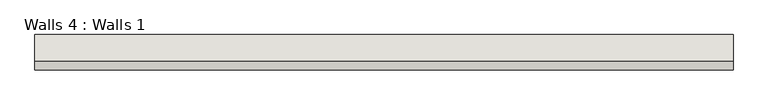
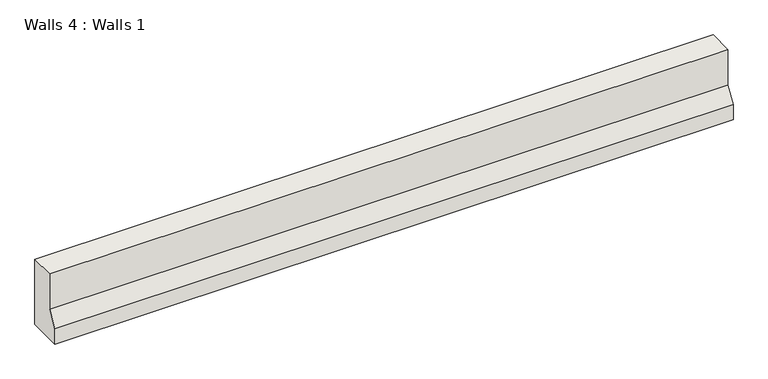
"""IFC4 building model written with IfcOpenShell, lengths in millimetres: wall geometry, Walls 4 : Walls 1."""

from ifc_helpers import new_model, si_unit, frame, origin, place, context, project, spatial, polyline, outline, extrude, source, transform, mapped, element, save


def walls_4_walls_1_b483e715(model_context):
    return source(origin(), model_context, "Body", "SweptSolid", [
        extrude(outline(polyline([(2263.8357401, 403.225), (2263.8357401, 180.975), (2152.7107401, 180.975), (2152.7107401, 233.0816482), (2181.2857401, 282.575), (2181.2857401, 403.225), (2263.8357401, 403.225)])), frame((-859.3497911, 0.0, 0.0), z_axis=(1.0, 0.0, 0.0), x_axis=(0.0, 1.0, 0.0)), (0.0, 0.0, 1.0), 2184.4),
    ])


if __name__ == "__main__":
    model = new_model("IFC4")
    model_context = context("Model", 3, world=origin())
    ifc_project = project(units=[si_unit("LENGTHUNIT", "METRE", prefix="MILLI")], contexts=[model_context])
    site = spatial("IfcSite", under=ifc_project)
    building = spatial("IfcBuilding", under=site)
    placement = place(None, origin())
    walls_4_walls_1_shape = walls_4_walls_1_b483e715(model_context)
    element("IfcWall", 1, ObjectType="Walls 4 : Walls 1", at=placement, inside=building, context=model_context, shape_type="MappedRepresentation", body=[
        mapped(walls_4_walls_1_shape, transform((0.0, 0.0, 0.0), x_axis=(1.0, 0.0, 0.0), y_axis=(0.0, 1.0, 0.0), z_axis=(0.0, 0.0, 1.0))),
    ])
    save(model, "model.ifc")
